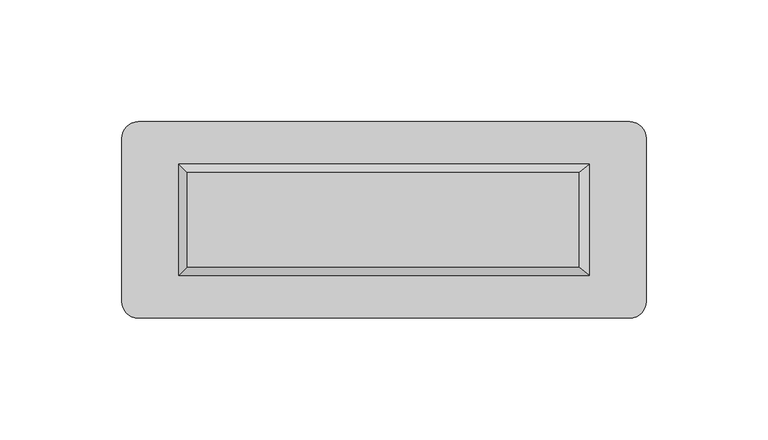
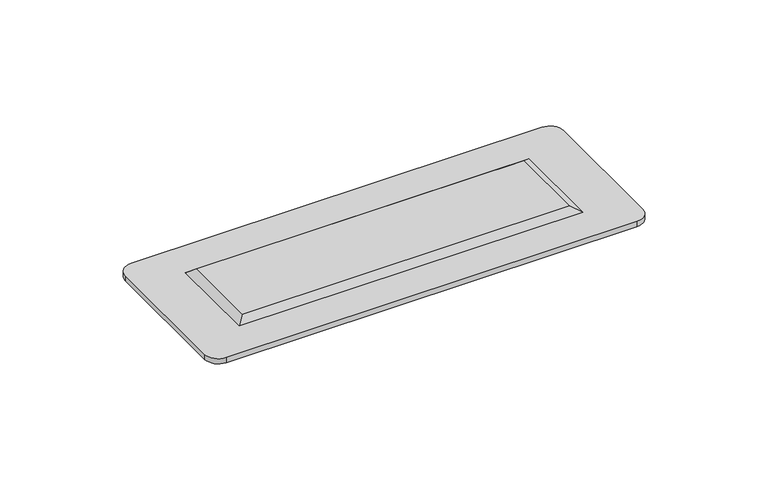
"""IFC4 building model written with IfcOpenShell, lengths in millimetres: furniture geometry."""

from ifc_helpers import new_model, si_unit, point, frame, frame_2d, origin, place, context, project, spatial, polyline, circle_curve, trimmed, segment, composite_curve, outline, extrude, faceted_brep, source, transform, mapped, element, save


def furniture_ae82713e(model_context):
    return source(origin(), model_context, "Body", "SolidModel", [
        faceted_brep([(79.8982717, 19.3740451, 568.9431167), (-80.760283, 19.3740451, 568.9431167), (-80.760283, -19.3645196, 568.9431167), (79.8982717, -19.3645196, 568.9431167), (84.3370633, 22.8712733, 566.2523601), (84.3370633, -22.8617444, 566.2523601), (-84.3370633, -22.8617444, 566.2523601), (-84.3370633, 22.8712733, 566.2523601)], [[[0, 1, 2, 3]], [[4, 5, 6, 7]], [[4, 7, 1, 0]], [[7, 6, 2, 1]], [[6, 5, 3, 2]], [[5, 4, 0, 3]]]),
        extrude(outline(composite_curve([segment(polyline([(-100.8816555, 40.3479), (100.8816566, 40.3479)]), True, "CONTINUOUS"), segment(trimmed(circle_curve(frame_2d((100.8816566, 33.6224566)), 6.7254434), [point((100.8816566, 40.3479))], [point((107.6071, 33.6224566))], False, "CARTESIAN"), True, "CONTINUOUS"), segment(polyline([(107.6071, 33.6224566), (107.6071, -33.6224566)]), True, "CONTINUOUS"), segment(trimmed(circle_curve(frame_2d((100.8816566, -33.6224566)), 6.7254434), [point((107.6071, -33.6224566))], [point((100.8816566, -40.3479))], False, "CARTESIAN"), True, "CONTINUOUS"), segment(polyline([(100.8816566, -40.3479), (-100.8816566, -40.3479)]), True, "CONTINUOUS"), segment(trimmed(circle_curve(frame_2d((-100.8816566, -33.6224566)), 6.7254434), [point((-100.8816566, -40.3479))], [point((-107.6071, -33.6224566))], False, "CARTESIAN"), True, "CONTINUOUS"), segment(polyline([(-107.6071, -33.6224566), (-107.6071, 33.6224555)]), True, "CONTINUOUS"), segment(trimmed(circle_curve(frame_2d((-100.8816555, 33.6224555)), 6.7254445), [point((-107.6071, 33.6224555))], [point((-100.8816555, 40.3479))], False, "CARTESIAN"), True, "CONTINUOUS")], self_intersect=False)), frame((0.0, 0.0, 563.5625), z_axis=(0.0, 0.0, 1.0), x_axis=(1.0, 0.0, 0.0)), (0.0, 0.0, 1.0), 2.6898601),
    ])


if __name__ == "__main__":
    model = new_model("IFC4")
    model_context = context("Model", 3, world=origin())
    ifc_project = project(units=[si_unit("LENGTHUNIT", "METRE", prefix="MILLI")], contexts=[model_context])
    site = spatial("IfcSite", under=ifc_project)
    building = spatial("IfcBuilding", under=site)
    placement = place(None, origin())
    furniture_shape = furniture_ae82713e(model_context)
    element("IfcFurniture", 1, at=placement, inside=building, context=model_context, shape_type="MappedRepresentation", body=[
        mapped(furniture_shape, transform((0.0, 0.0, 0.0), x_axis=(1.0, 0.0, 0.0), y_axis=(0.0, 1.0, 0.0), z_axis=(0.0, 0.0, 1.0))),
    ])
    save(model, "model.ifc")
